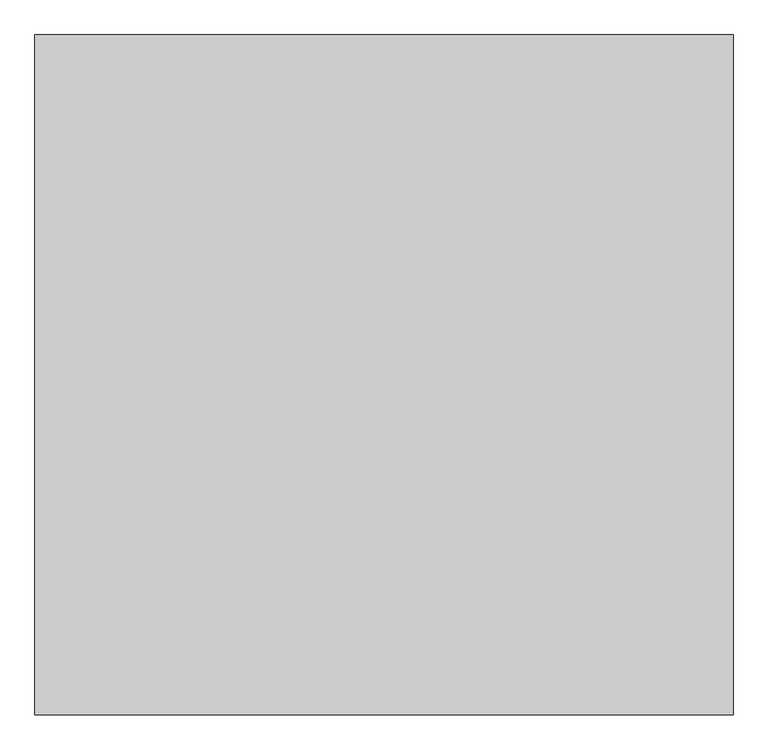
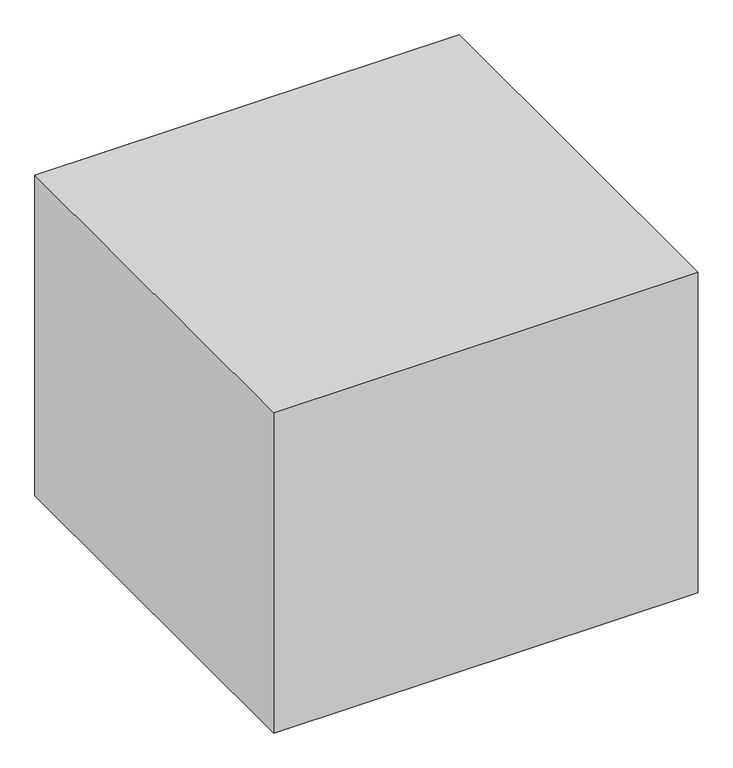
"""IFC4 building model written with IfcOpenShell, lengths in millimetres: proxy geometry."""

from ifc_helpers import new_model, si_unit, origin, origin_with_axes, place, context, project, spatial, polyline, outline, extrude, source, transform, mapped, element, save


def generic_models_51dd590c(model_context):
    return source(origin(), model_context, "Body", "SweptSolid", [
        extrude(outline(polyline([(6552.2356654, 5562.2185564), (6552.2356654, -6037.7814436), (-5347.7643346, -6037.7814436), (-5347.7643346, 5562.2185564), (6552.2356654, 5562.2185564)])), origin_with_axes(), (0.0, 0.0, 1.0), 9503.4178942),
    ])


if __name__ == "__main__":
    model = new_model("IFC4")
    model_context = context("Model", 3, world=origin())
    ifc_project = project(units=[si_unit("LENGTHUNIT", "METRE", prefix="MILLI")], contexts=[model_context])
    site = spatial("IfcSite", under=ifc_project)
    building = spatial("IfcBuilding", under=site)
    placement = place(None, origin())
    generic_models_shape = generic_models_51dd590c(model_context)
    element("IfcBuildingElementProxy", 1, Name="Generic Models", at=placement, inside=building, context=model_context, shape_type="MappedRepresentation", body=[
        mapped(generic_models_shape, transform((0.0, 0.0, 0.0), x_axis=(1.0, 0.0, 0.0), y_axis=(0.0, 1.0, 0.0), z_axis=(0.0, 0.0, 1.0))),
    ])
    save(model, "model.ifc")
